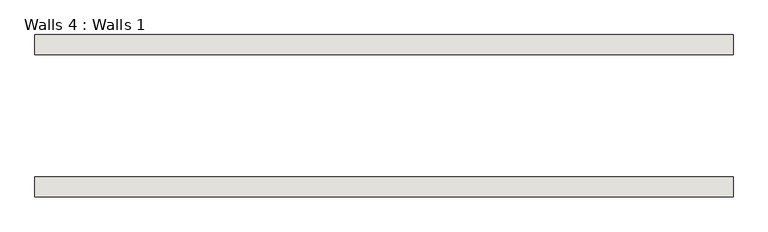
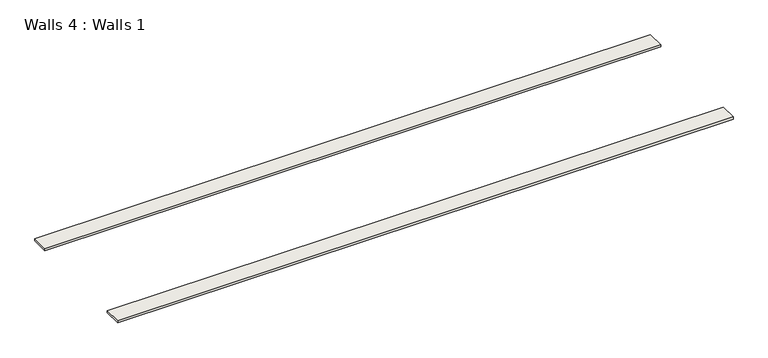
"""IFC4 building model written with IfcOpenShell, lengths in millimetres: wall geometry, Walls 4 : Walls 1."""

from ifc_helpers import new_model, si_unit, frame, origin, place, context, project, spatial, polyline, outline, extrude, source, transform, mapped, element, save


def walls_4_walls_1_5124d4f9(model_context):
    return source(origin(), model_context, "Body", "SweptSolid", [
        extrude(outline(polyline([(-971.3503933, 2509.2822111), (-971.3503933, 2560.0822111), (832.0496067, 2560.0822111), (832.0496067, 2509.2822111), (-971.3503933, 2509.2822111)])), frame((0.0, 0.0, 610.1578226), z_axis=(0.0, 0.0, 1.0), x_axis=(1.0, 0.0, 0.0)), (0.0, 0.0, 1.0), 6.35),
        extrude(outline(polyline([(-971.3503933, 2140.9822111), (-971.3503933, 2191.7822111), (832.0496067, 2191.7822111), (832.0496067, 2140.9822111), (-971.3503933, 2140.9822111)])), frame((0.0, 0.0, 610.1578226), z_axis=(0.0, 0.0, 1.0), x_axis=(1.0, 0.0, 0.0)), (0.0, 0.0, 1.0), 6.35),
    ])


if __name__ == "__main__":
    model = new_model("IFC4")
    model_context = context("Model", 3, world=origin())
    ifc_project = project(units=[si_unit("LENGTHUNIT", "METRE", prefix="MILLI")], contexts=[model_context])
    site = spatial("IfcSite", under=ifc_project)
    building = spatial("IfcBuilding", under=site)
    placement = place(None, origin())
    walls_4_walls_1_shape = walls_4_walls_1_5124d4f9(model_context)
    element("IfcWall", 1, ObjectType="Walls 4 : Walls 1", at=placement, inside=building, context=model_context, shape_type="MappedRepresentation", body=[
        mapped(walls_4_walls_1_shape, transform((0.0, 0.0, 0.0), x_axis=(1.0, 0.0, 0.0), y_axis=(0.0, 1.0, 0.0), z_axis=(0.0, 0.0, 1.0))),
    ])
    save(model, "model.ifc")
